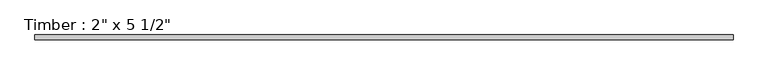
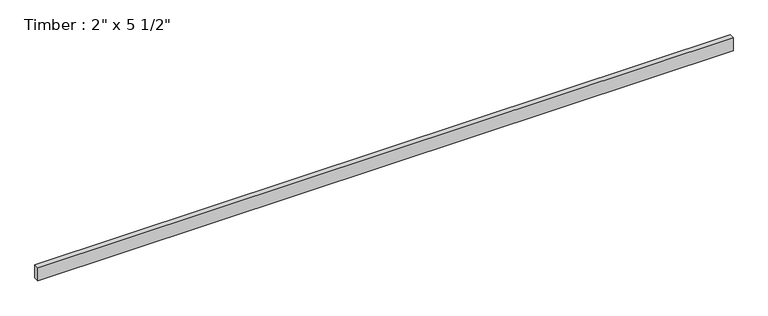
"""IFC4 building model written with IfcOpenShell, lengths in millimetres: beam geometry."""

from ifc_helpers import new_model, si_unit, frame, origin, place, context, project, spatial, polyline, outline, extrude, source, transform, mapped, element, save


def beam_d75a7eb2(model_context):
    return source(origin(), model_context, "Body", "SweptSolid", [
        extrude(outline(polyline([(3489.3316748, 25.4), (3489.3316748, -25.4), (-3489.3316748, -25.4), (-3489.3316748, 25.4), (3489.3316748, 25.4)])), frame((0.0, 0.0, -69.85), z_axis=(0.0, 0.0, 1.0), x_axis=(1.0, 0.0, 0.0)), (0.0, 0.0, 1.0), 139.7),
    ])


if __name__ == "__main__":
    model = new_model("IFC4")
    model_context = context("Model", 3, world=origin())
    ifc_project = project(units=[si_unit("LENGTHUNIT", "METRE", prefix="MILLI")], contexts=[model_context])
    site = spatial("IfcSite", under=ifc_project)
    building = spatial("IfcBuilding", under=site)
    placement = place(None, origin())
    beam_shape = beam_d75a7eb2(model_context)
    element("IfcBeam", 1, ObjectType="Timber : 2\" x 5 1/2\"", at=placement, inside=building, context=model_context, shape_type="MappedRepresentation", body=[
        mapped(beam_shape, transform((0.0, 0.0, 0.0), x_axis=(1.0, 0.0, 0.0), y_axis=(0.0, 1.0, 0.0), z_axis=(0.0, 0.0, 1.0))),
    ])
    save(model, "model.ifc")
